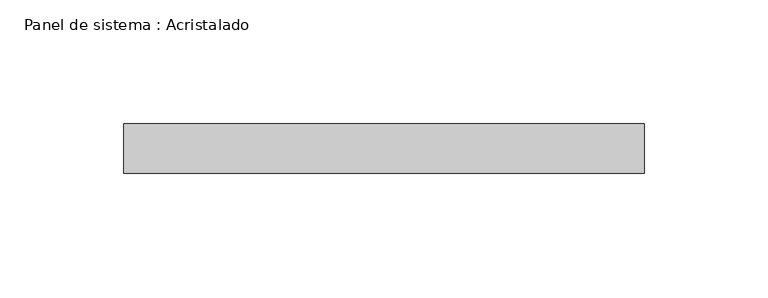
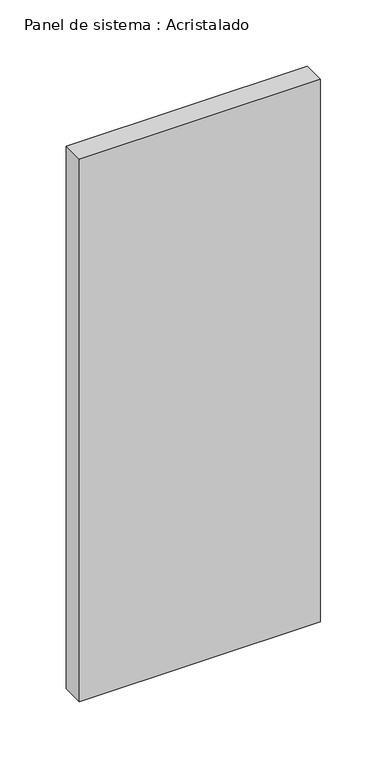
"""IFC4 building model written with IfcOpenShell, lengths in millimetres: plate geometry, Panel de sistema : Acristalado."""

from ifc_helpers import new_model, si_unit, origin, origin_with_axes, place, context, project, spatial, polyline, outline, extrude, source, transform, mapped, element, save


def panel_de_sistema_acristalado_1aae724e(model_context):
    return source(origin(), model_context, "Body", "SweptSolid", [
        extrude(outline(polyline([(105.0, -10.0), (-105.0, -10.0), (-105.0, 10.0), (105.0, 10.0), (105.0, -10.0)])), origin_with_axes(), (0.0, 0.0, 1.0), 500.0),
    ])


if __name__ == "__main__":
    model = new_model("IFC4")
    model_context = context("Model", 3, world=origin())
    ifc_project = project(units=[si_unit("LENGTHUNIT", "METRE", prefix="MILLI")], contexts=[model_context])
    site = spatial("IfcSite", under=ifc_project)
    building = spatial("IfcBuilding", under=site)
    placement = place(None, origin())
    panel_de_sistema_acristalado_shape = panel_de_sistema_acristalado_1aae724e(model_context)
    element("IfcPlate", 1, ObjectType="Panel de sistema : Acristalado", at=placement, inside=building, context=model_context, shape_type="MappedRepresentation", body=[
        mapped(panel_de_sistema_acristalado_shape, transform((0.0, 0.0, 0.0), x_axis=(1.0, 0.0, 0.0), y_axis=(0.0, 1.0, 0.0), z_axis=(0.0, 0.0, 1.0))),
    ])
    save(model, "model.ifc")
